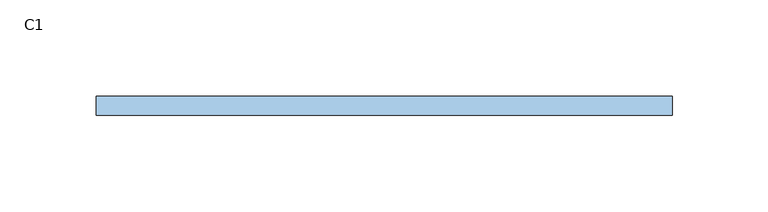
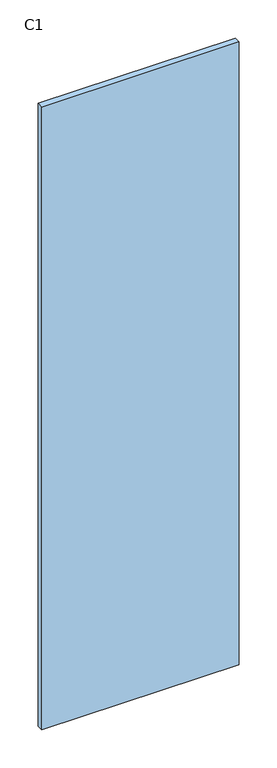
"""IFC4 building model written with IfcOpenShell, lengths in millimetres: window geometry, C1."""

from ifc_helpers import new_model, si_unit, frame, origin, place, context, project, spatial, polyline, outline, extrude, source, transform, mapped, element, save


def c1_359e0cb0(model_context):
    return source(origin(), model_context, "Body", "SweptSolid", [
        extrude(outline(polyline([(150.0, -5.0), (-150.0, -5.0), (-150.0, 5.0), (150.0, 5.0), (150.0, -5.0)])), frame((0.0, 0.0, 900.0), z_axis=(0.0, 0.0, 1.0), x_axis=(1.0, 0.0, 0.0)), (0.0, 0.0, 1.0), 1000.0),
    ])


if __name__ == "__main__":
    model = new_model("IFC4")
    model_context = context("Model", 3, world=origin())
    ifc_project = project(units=[si_unit("LENGTHUNIT", "METRE", prefix="MILLI")], contexts=[model_context])
    site = spatial("IfcSite", under=ifc_project)
    building = spatial("IfcBuilding", under=site)
    placement = place(None, origin())
    c1_shape = c1_359e0cb0(model_context)
    element("IfcWindow", 1, ObjectType="C1", at=placement, inside=building, context=model_context, shape_type="MappedRepresentation", body=[
        mapped(c1_shape, transform((0.0, 0.0, 0.0), x_axis=(1.0, 0.0, 0.0), y_axis=(0.0, 1.0, 0.0), z_axis=(0.0, 0.0, 1.0))),
    ])
    save(model, "model.ifc")
